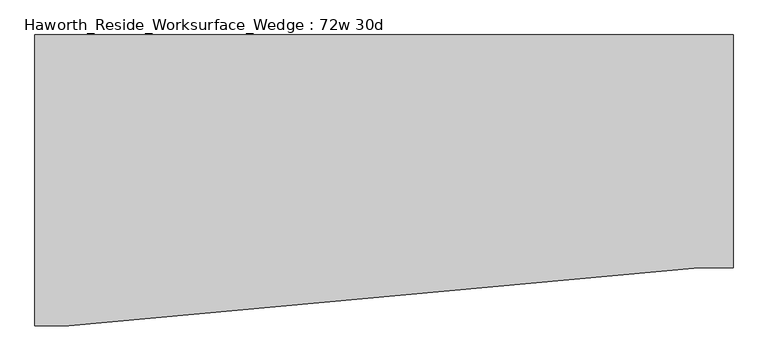
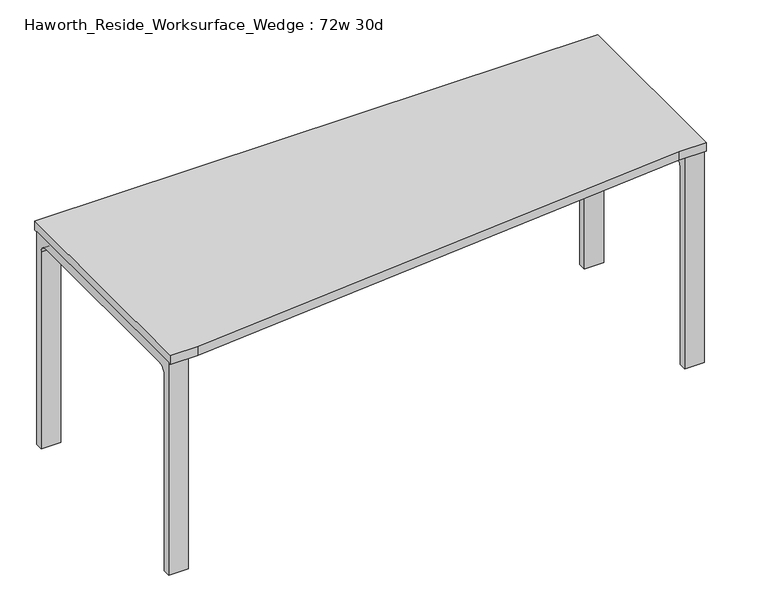
"""IFC4 building model written with IfcOpenShell, lengths in millimetres: furniture geometry, Haworth_Reside_Worksurface_Wedge : 72w 30d."""

import ifcopenshell
import ifcopenshell.guid

model = None  # the IFC model being written
_history = None  # IfcOwnerHistory: only IFC2X3 demands one
_inside = {}  # id of a spatial element -> (the spatial element, [elements in it])
_under = {}  # id of a project, library or spatial element -> (it, [spatial elements below it])
_declared = {}  # id of a project -> (the project, [libraries it declares])
_typed = {}  # id of a type object -> (the type object, [elements of that type])
_made_of = {}  # id of a material, layer set ... -> (it, [elements and type objects made of it])


def new_model(schema):
    """Start an empty IFC model of exactly this schema.

    Asked for "IFC4X3", IfcOpenShell would pick the latest addendum, in which some entities
    have other attributes; the version numbers below select the first issue.
    IFC2X3 requires an IfcOwnerHistory on every rooted entity: one is made here for all.
    """
    global model, _history
    if schema == "IFC4X3":
        model = ifcopenshell.file(schema_version=(4, 3, 0, 0))
    else:
        model = ifcopenshell.file(schema=schema)
    _inside.clear()
    _under.clear()
    _declared.clear()
    _typed.clear()
    _made_of.clear()
    _history = None
    if model.schema == "IFC2X3":
        org = make("IfcOrganization", Name="unknown")
        user = make(
            "IfcPersonAndOrganization",
            ThePerson=make("IfcPerson", FamilyName="unknown"),
            TheOrganization=org,
        )
        app = make(
            "IfcApplication",
            ApplicationDeveloper=org,
            Version="unknown",
            ApplicationFullName="unknown",
            ApplicationIdentifier="unknown",
        )
        _history = make(
            "IfcOwnerHistory",
            OwningUser=user,
            OwningApplication=app,
            ChangeAction="ADDED",
            CreationDate=0,
        )
    return model


def make(cls, **values):
    """One entity of the class cls with the attributes given. An attribute that is None is left unset."""
    return model.create_entity(
        cls, **{name: value for name, value in values.items() if value is not None}
    )


def rooted(cls, **values):
    """An entity with a GlobalId (a new one), such as an element, a storey or a relation."""
    return make(cls, GlobalId=ifcopenshell.guid.new(), OwnerHistory=_history, **values)


def si_unit(unit_type, name, prefix=None):
    """IfcSIUnit, for example si_unit("LENGTHUNIT", "METRE", prefix="MILLI")."""
    return make("IfcSIUnit", UnitType=unit_type, Prefix=prefix, Name=name)


def assignment(units):
    """IfcUnitAssignment: the units of a project."""
    return None if units is None else make("IfcUnitAssignment", Units=units)


def point(xyz):
    """IfcCartesianPoint."""
    return None if xyz is None else make("IfcCartesianPoint", Coordinates=xyz)


def direction(xyz):
    """IfcDirection."""
    return None if xyz is None else make("IfcDirection", DirectionRatios=xyz)


def frame(location, z_axis=None, x_axis=None):
    """IfcAxis2Placement3D, a coordinate frame: its origin and axes. An axis left out is left unset."""
    return make(
        "IfcAxis2Placement3D",
        Location=point(location),
        Axis=direction(z_axis),
        RefDirection=direction(x_axis),
    )


def frame_2d(location, x_axis=None):
    """IfcAxis2Placement2D, a coordinate frame in the plane: its origin and x axis."""
    return make(
        "IfcAxis2Placement2D", Location=point(location), RefDirection=direction(x_axis)
    )


def origin():
    """The frame at (0, 0, 0) with its axes left unset."""
    return frame((0.0, 0.0, 0.0))


def place(relative_to, where):
    """IfcLocalPlacement: puts the frame where relative to a parent placement (None: the world)."""
    return make(
        "IfcLocalPlacement", PlacementRelTo=relative_to, RelativePlacement=where
    )


def context(
    kind, dimensions, precision=None, world=None, true_north=None, identifier=None
):
    """IfcGeometricRepresentationContext, for example the 3D "Model" context."""
    return make(
        "IfcGeometricRepresentationContext",
        ContextIdentifier=identifier,
        ContextType=kind,
        CoordinateSpaceDimension=dimensions,
        Precision=precision,
        WorldCoordinateSystem=world,
        TrueNorth=true_north,
    )


def project(units=None, contexts=None):
    """IfcProject with its units and contexts."""
    return rooted(
        "IfcProject",
        Name="project",
        RepresentationContexts=contexts,
        UnitsInContext=assignment(units),
    )


def spatial(cls, under=None, at=None, **own):
    """A site, building, storey or space (cls), placed at a placement, below another one or the project."""
    s = rooted(cls, ObjectPlacement=at, **own)
    if under is not None:
        _under.setdefault(under.id(), (under, []))[1].append(s)
    return s


def polyline(points):
    """IfcPolyline through the points."""
    return make("IfcPolyline", Points=[point(p) for p in points])


def circle_curve(where, radius):
    """IfcCircle in the frame where."""
    return make("IfcCircle", Position=where, Radius=radius)


def trimmed(basis, trim1, trim2, sense, master):
    """IfcTrimmedCurve: the piece of a basis curve between two trims."""
    return make(
        "IfcTrimmedCurve",
        BasisCurve=basis,
        Trim1=trim1,
        Trim2=trim2,
        SenseAgreement=sense,
        MasterRepresentation=master,
    )


def segment(curve, same_sense, transition):
    """IfcCompositeCurveSegment."""
    return make(
        "IfcCompositeCurveSegment",
        Transition=transition,
        SameSense=same_sense,
        ParentCurve=curve,
    )


def composite_curve(segments, self_intersect=None):
    """IfcCompositeCurve: segments joined end to end."""
    return make("IfcCompositeCurve", Segments=segments, SelfIntersect=self_intersect)


def outline(outer, holes=None, kind="AREA"):
    """IfcArbitraryClosedProfileDef: a profile drawn as a closed curve; with holes, ...WithVoids."""
    if holes is None:
        return make("IfcArbitraryClosedProfileDef", ProfileType=kind, OuterCurve=outer)
    return make(
        "IfcArbitraryProfileDefWithVoids",
        ProfileType=kind,
        OuterCurve=outer,
        InnerCurves=holes,
    )


def extrude(swept, where, along, depth):
    """IfcExtrudedAreaSolid: the profile swept, set in the frame where, extruded along a direction by depth."""
    return make(
        "IfcExtrudedAreaSolid",
        SweptArea=swept,
        Position=where,
        ExtrudedDirection=direction(along),
        Depth=depth,
    )


def shape(context_of_items, identifier, shape_type, items):
    """IfcShapeRepresentation: the items that make up one representation, for example the "Body"."""
    return make(
        "IfcShapeRepresentation",
        ContextOfItems=context_of_items,
        RepresentationIdentifier=identifier,
        RepresentationType=shape_type,
        Items=items,
    )


def source(mapping_origin, context_of_items, identifier, shape_type, items):
    """IfcRepresentationMap: a shape defined once, which mapped items show again and again."""
    return make(
        "IfcRepresentationMap",
        MappingOrigin=mapping_origin,
        MappedRepresentation=shape(context_of_items, identifier, shape_type, items),
    )


def transform(
    local_origin,
    x_axis=None,
    y_axis=None,
    z_axis=None,
    scale=None,
    scale2=None,
    scale3=None,
    uniform=True,
):
    """IfcCartesianTransformationOperator3D, or its non-uniform kind. x_axis, y_axis, z_axis: its Axis1, 2, 3."""
    if uniform:
        return make(
            "IfcCartesianTransformationOperator3D",
            Axis1=direction(x_axis),
            Axis2=direction(y_axis),
            LocalOrigin=point(local_origin),
            Scale=scale,
            Axis3=direction(z_axis),
        )
    return make(
        "IfcCartesianTransformationOperator3DnonUniform",
        Axis1=direction(x_axis),
        Axis2=direction(y_axis),
        LocalOrigin=point(local_origin),
        Scale=scale,
        Axis3=direction(z_axis),
        Scale2=scale2,
        Scale3=scale3,
    )


def mapped(mapping_source, mapping_target):
    """IfcMappedItem: shows the shape of a source again, moved by a transform."""
    return make(
        "IfcMappedItem", MappingSource=mapping_source, MappingTarget=mapping_target
    )


def made_of(thing, what):
    """Note that an element or type object is made of a material, layer set ...; save() writes the relation."""
    if what is not None:
        _made_of.setdefault(what.id(), (what, []))[1].append(thing)
    return thing


def element(
    cls,
    number,
    at=None,
    inside=None,
    cuts=None,
    type_object=None,
    material=None,
    context=None,
    identifier="Body",
    shape_type=None,
    held_by="IfcProductDefinitionShape",
    body=None,
    shapes=None,
    **own,
):
    """One element of the class cls, such as IfcWall. Its Tag is "e" and its number.

    at: its placement. inside: the storey or other place that contains it. cuts: it is an
    opening in that element (IfcRelVoidsElement). A single representation is given by context,
    identifier, shape_type and body (its items); several are given by shapes. held_by: the class
    of the entity that holds the representations. save() writes the other relations.
    """
    e = rooted(cls, Tag="e%d" % number, ObjectPlacement=at, **own)
    if body is not None:
        shapes = [shape(context, identifier, shape_type, body)]
    if shapes is not None:
        e.Representation = make(held_by, Representations=shapes)
    if inside is not None:
        _inside.setdefault(inside.id(), (inside, []))[1].append(e)
    if cuts is not None:
        rooted(
            "IfcRelVoidsElement", RelatingBuildingElement=cuts, RelatedOpeningElement=e
        )
    if type_object is not None:
        _typed.setdefault(type_object.id(), (type_object, []))[1].append(e)
    return made_of(e, material)


def aggregate(whole, parts):
    """IfcRelAggregates: a whole, such as a stair, and the parts it consists of."""
    return rooted("IfcRelAggregates", RelatingObject=whole, RelatedObjects=parts)


def save(model, path):
    """Write the relations noted so far, then the file.

    IfcRelAggregates (storeys below a building ...), IfcRelContainedInSpatialStructure (elements
    in a storey), IfcRelDefinesByType, IfcRelAssociatesMaterial and IfcRelDeclares: one each for
    every whole, place, type object, material and project.
    """
    for whole, parts in _under.values():
        aggregate(whole, parts)
    for where, things in _inside.values():
        rooted(
            "IfcRelContainedInSpatialStructure",
            RelatedElements=things,
            RelatingStructure=where,
        )
    for kind, things in _typed.values():
        rooted("IfcRelDefinesByType", RelatedObjects=things, RelatingType=kind)
    for what, things in _made_of.values():
        rooted("IfcRelAssociatesMaterial", RelatedObjects=things, RelatingMaterial=what)
    for by, libraries in _declared.values():
        rooted("IfcRelDeclares", RelatingContext=by, RelatedDefinitions=libraries)
    model.write(path)


def haworth_reside_worksurface_wedge_72w_30d_e7819bd0(model_context):
    return source(origin(), model_context, "Body", "SweptSolid", [
        extrude(outline(composite_curve([segment(trimmed(circle_curve(frame_2d((396.875, 676.275)), 25.4), [point((422.275, 676.275))], [point((396.875, 701.675))], True, "CARTESIAN"), True, "CONTINUOUS"), segment(polyline([(396.875, 701.675), (-92.075, 701.675)]), True, "CONTINUOUS"), segment(trimmed(circle_curve(frame_2d((-92.075, 676.275)), 25.4), [point((-92.075, 701.675))], [point((-117.475, 676.275))], True, "CARTESIAN"), True, "CONTINUOUS"), segment(polyline([(-117.475, 676.275), (-117.475, 0.0), (-142.875, 0.0), (-142.875, 731.8375), (447.675, 731.8375), (447.675, 0.0), (422.275, 0.0), (422.275, 676.275)]), True, "CONTINUOUS")], self_intersect=False)), frame((850.9, 0.0, 0.0), z_axis=(1.0, 0.0, 0.0), x_axis=(0.0, 1.0, 0.0)), (0.0, 0.0, 1.0), 63.5),
        extrude(outline(composite_curve([segment(trimmed(circle_curve(frame_2d((396.875, 676.275)), 25.4), [point((422.275, 676.275))], [point((396.875, 701.675))], True, "CARTESIAN"), True, "CONTINUOUS"), segment(polyline([(396.875, 701.675), (-244.475, 701.675)]), True, "CONTINUOUS"), segment(trimmed(circle_curve(frame_2d((-244.475, 676.275)), 25.4), [point((-244.475, 701.675))], [point((-269.875, 676.275))], True, "CARTESIAN"), True, "CONTINUOUS"), segment(polyline([(-269.875, 676.275), (-269.875, 0.0), (-295.275, 0.0), (-295.275, 731.8375), (447.675, 731.8375), (447.675, 0.0), (422.275, 0.0), (422.275, 676.275)]), True, "CONTINUOUS")], self_intersect=False)), frame((-914.4, 0.0, 0.0), z_axis=(1.0, 0.0, 0.0), x_axis=(0.0, 1.0, 0.0)), (0.0, 0.0, 1.0), 63.5),
        extrude(outline(polyline([(914.4, 457.2), (914.4, -152.4), (825.5, -152.4), (-825.5, -304.8), (-914.4, -304.8), (-914.4, 457.2), (914.4, 457.2)])), frame((0.0, 0.0, 731.8375), z_axis=(0.0, 0.0, 1.0), x_axis=(1.0, 0.0, 0.0)), (0.0, 0.0, 1.0), 30.1625),
    ])


if __name__ == "__main__":
    model = new_model("IFC4")
    model_context = context("Model", 3, world=origin())
    ifc_project = project(units=[si_unit("LENGTHUNIT", "METRE", prefix="MILLI")], contexts=[model_context])
    site = spatial("IfcSite", under=ifc_project)
    building = spatial("IfcBuilding", under=site)
    placement = place(None, origin())
    haworth_reside_worksurface_wedge_72w_30d_shape = haworth_reside_worksurface_wedge_72w_30d_e7819bd0(model_context)
    element("IfcFurniture", 1, ObjectType="Haworth_Reside_Worksurface_Wedge : 72w 30d", at=placement, inside=building, context=model_context, shape_type="MappedRepresentation", body=[
        mapped(haworth_reside_worksurface_wedge_72w_30d_shape, transform((0.0, 0.0, 0.0), x_axis=(1.0, 0.0, 0.0), y_axis=(0.0, 1.0, 0.0), z_axis=(0.0, 0.0, 1.0))),
    ])
    save(model, "model.ifc")
